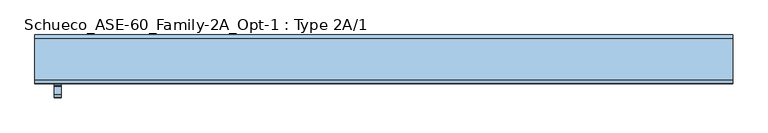
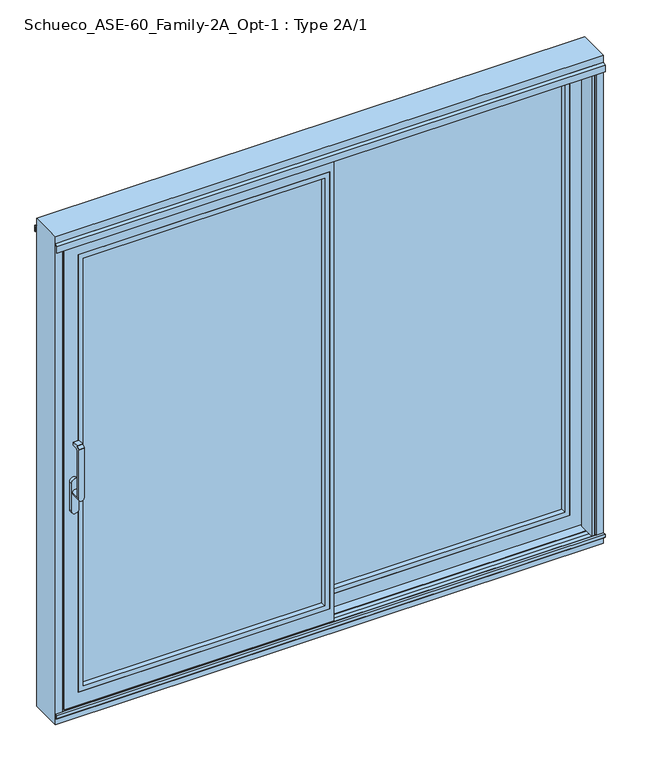
"""IFC4 building model written with IfcOpenShell, lengths in millimetres: window geometry, Schueco_ASE-60_Family-2A_Opt-1 : Type 2A/1."""

from ifc_helpers import new_model, si_unit, point, frame, frame_2d, origin, origin_with_axes, place, context, project, spatial, polyline, circle_curve, trimmed, segment, composite_curve, outline, extrude, faceted_brep, source, transform, mapped, element, save
from ifc_brep_helpers import plane_surface, cylinder_surface, revolved_surface, advanced_brep


def schueco_ase_60_family_2a_opt_1_type_2a_1_f2b57854(model_context):
    return source(origin(), model_context, "Body", "SolidModel", [
        extrude(outline(polyline([(0.0, 20.0000255), (0.0, 4.0000255), (-20.0, 4.0000255), (-20.0, 20.0000255), (0.0, 20.0000255)])), frame((0.0, 0.0, 4.0), z_axis=(0.0, 0.0, 1.0), x_axis=(1.0, 0.0, 0.0)), (0.0, 0.0, 1.0), 2127.0),
        faceted_brep([(-20.0, 20.0000255, 2131.0), (1150.0, 20.0000255, 2131.0), (1150.0, 25.5000255, 2131.0), (-2.0, 25.5000255, 2131.0), (-2.0, 68.9999911, 2131.0), (20.0, 68.9999911, 2131.0), (20.0, 74.5000332, 2131.0), (1150.0017184, 74.5000332, 2131.0), (1150.0017184, 80.0, 2131.0), (-20.0, 80.0, 2131.0), (1068.0, 80.0, 86.0), (20.0, 80.0, 86.0), (20.0, 68.9999911, 86.0), (1068.0, 68.9999911, 86.0), (-2.0, 68.9999911, 64.0), (-2.0, 20.0000255, 64.0), (1090.0, 20.0000255, 64.0), (1090.0, 68.9999911, 64.0), (1150.0017184, 80.0, 4.0), (1150.0017184, 74.5000332, 4.0), (20.0, 74.5000332, 4.0), (20.0, 68.9999911, 4.0), (-2.0, 68.9999911, 4.0), (-2.0, 25.5000255, 4.0), (1150.0, 25.5000255, 4.0), (1150.0, 20.0000255, 4.0), (-20.0, 20.0000255, 4.0), (-20.0, 80.0, 4.0), (1068.0, 68.9999911, 2049.0), (20.0, 68.9999911, 2049.0), (20.0, 80.0, 2049.0), (1068.0, 80.0, 2049.0), (1090.0, 20.0000255, 2071.0), (-2.0, 20.0000255, 2071.0), (-2.0, 68.9999911, 2071.0), (1090.0, 68.9999911, 2071.0), (1120.0, 25.5000255, 34.0), (-2.0, 25.5000255, 34.0), (-2.0, 68.9999911, 34.0), (20.0, 68.9999911, 34.0), (20.0, 74.5000332, 34.0), (1120.0, 74.5000332, 34.0), (1120.0, 25.5000255, 2101.0), (1120.0, 74.5000332, 2101.0), (20.0, 74.5000332, 2101.0), (20.0, 68.9999911, 2101.0), (-2.0, 68.9999911, 2101.0), (-2.0, 25.5000255, 2101.0)], [[[0, 1, 2, 3, 4, 5, 6, 7, 8, 9]], [[10, 11, 12, 13]], [[14, 15, 16, 17]], [[18, 19, 20, 21, 22, 23, 24, 25, 26, 27]], [[1, 25, 24, 2]], [[28, 29, 30, 31]], [[32, 33, 34, 35]], [[36, 37, 38, 39, 40, 41]], [[31, 10, 13, 28]], [[35, 17, 16, 32]], [[42, 36, 41, 43]], [[7, 19, 18, 8]], [[43, 44, 45, 46, 47, 42]], [[9, 27, 26, 0]], [[26, 25, 1, 0], [32, 16, 15, 33]], [[8, 18, 27, 9], [10, 31, 30, 11]], [[30, 29, 12, 11]], [[5, 45, 44, 6]], [[20, 40, 39, 21]], [[35, 34, 14, 17], [13, 12, 29, 28]], [[21, 39, 38, 22]], [[4, 46, 45, 5]], [[34, 33, 15, 14]], [[22, 38, 37, 23]], [[3, 47, 46, 4]], [[24, 23, 37, 36, 42, 47, 3, 2]], [[41, 40, 20, 19, 7, 6, 44, 43]]]),
        extrude(outline(polyline([(64.0, -2.0), (64.0, 1090.0), (2071.0, 1090.0), (2071.0, -2.0), (64.0, -2.0)]), holes=[polyline([(86.012649, 20.012649), (2048.987351, 20.012649), (2048.987351, 1067.987351), (86.012649, 1067.987351), (86.012649, 20.012649)])]), frame((0.0, 20.0000255, 0.0), z_axis=(0.0, 1.0, 0.0), x_axis=(0.0, 0.0, 1.0)), (0.0, 0.0, 1.0), 22.9999656),
        extrude(outline(polyline([(1090.0, 68.9999911), (1090.0, 42.9999911), (-2.0, 42.9999911), (-2.0, 68.9999911), (1090.0, 68.9999911)])), frame((0.0, 0.0, 64.0), z_axis=(0.0, 0.0, 1.0), x_axis=(1.0, 0.0, 0.0)), (0.0, 0.0, 1.0), 2007.0),
        advanced_brep(
        [(-1099.75, -109.9999695, 1214.6494011), (-1099.75, -109.9999695, 999.0), (-1123.75, -109.9999695, 999.005052), (-1123.75, -109.9999695, 1214.6494011), (-1123.75, -73.9999695, 999.005052), (-1099.75, -73.9999695, 999.005052), (-1099.75, -121.414183, 1225.6502145), (-1099.75, -110.6501229, 1236.4142746), (-1123.75, -110.6501229, 1236.4142746), (-1123.75, -121.414183, 1225.6502145), (-1123.75, -121.9999695, 999.005052), (-1099.75, -121.9999695, 999.005052), (-1099.75, -121.9999695, 1224.2360009), (-1123.75, -121.9999695, 1224.2360009), (-1099.75, -102.6493095, 1222.000061), (-1099.75, -81.9999695, 1222.000061), (-1099.75, -79.9999695, 1224.000061), (-1099.75, -79.9999695, 1235.000061), (-1099.75, -81.9999695, 1237.000061), (-1099.75, -109.2359094, 1237.000061), (-1123.75, -109.2359094, 1237.000061), (-1123.75, -81.9999695, 1237.000061), (-1123.75, -79.9999695, 1235.000061), (-1123.75, -79.9999695, 1224.000061), (-1123.75, -81.9999695, 1222.000061), (-1123.75, -102.6493095, 1222.000061)],
        [
            (0, 1),
            (1, 2, circle_curve(frame((-1111.75, -109.9999695, 999.005052), z_axis=(0.0, -1.0, 0.0), x_axis=(1.0, 0.0, 0.0)), 12.0)),
            (2, 3),
            (3, 0),
            (4, 5, circle_curve(frame((-1111.75, -73.9999695, 999.005052), z_axis=(0.0, 1.0, 0.0), x_axis=(1.0, 0.0, 0.0)), 12.0)),
            (5, 4, circle_curve(frame((-1111.75, -73.9999695, 999.005052), z_axis=(0.0, 1.0, 0.0), x_axis=(1.0, 0.0, 0.0)), 12.0)),
            (6, 7),
            (7, 8),
            (8, 9),
            (9, 6),
            (10, 11, circle_curve(frame((-1111.75, -121.9999695, 999.005052), z_axis=(0.0, -1.0, 0.0), x_axis=(1.0, 0.0, 0.0)), 12.0)),
            (11, 12),
            (12, 13),
            (13, 10),
            (10, 2),
            (2, 4),
            (5, 1),
            (1, 11),
            (0, 14, circle_curve(frame((-1099.75, -102.6493095, 1214.6494011), z_axis=(-1.0, 0.0, 0.0), x_axis=(0.0, 0.0, -1.0)), 7.35066)),
            (14, 15),
            (15, 16, circle_curve(frame((-1099.75, -81.9999695, 1224.000061), z_axis=(1.0, 0.0, 0.0), x_axis=(0.0, 0.0, -1.0)), 2.0)),
            (16, 17),
            (17, 18, circle_curve(frame((-1099.75, -81.9999695, 1235.000061), z_axis=(1.0, 0.0, 0.0), x_axis=(0.0, 0.0, -1.0)), 2.0)),
            (18, 19),
            (19, 7, circle_curve(frame((-1099.75, -109.2359094, 1235.000061), z_axis=(1.0, 0.0, 0.0), x_axis=(0.0, 0.0, -1.0)), 2.0)),
            (6, 12, circle_curve(frame((-1099.75, -119.9999695, 1224.2360009), z_axis=(1.0, 0.0, 0.0), x_axis=(0.0, 0.0, -1.0)), 2.0)),
            (13, 9, circle_curve(frame((-1123.75, -119.9999695, 1224.2360009), z_axis=(-1.0, 0.0, 0.0), x_axis=(0.0, 0.0, -1.0)), 2.0)),
            (8, 20, circle_curve(frame((-1123.75, -109.2359094, 1235.000061), z_axis=(-1.0, 0.0, 0.0), x_axis=(0.0, 0.0, -1.0)), 2.0)),
            (20, 21),
            (21, 22, circle_curve(frame((-1123.75, -81.9999695, 1235.000061), z_axis=(-1.0, 0.0, 0.0), x_axis=(0.0, 0.0, -1.0)), 2.0)),
            (22, 23),
            (23, 24, circle_curve(frame((-1123.75, -81.9999695, 1224.000061), z_axis=(-1.0, 0.0, 0.0), x_axis=(0.0, 0.0, -1.0)), 2.0)),
            (24, 25),
            (25, 3, circle_curve(frame((-1123.75, -102.6493095, 1214.6494011), z_axis=(1.0, 0.0, 0.0), x_axis=(0.0, 0.0, -1.0)), 7.35066)),
            (25, 14),
            (24, 15),
            (23, 16),
            (22, 17),
            (21, 18),
            (20, 19),
        ],
        [
            plane_surface(frame((-1099.75, -109.9999695, 999.0), z_axis=(0.0, 1.0, 0.0), x_axis=(-1.0, 0.0, 0.0))),
            plane_surface(frame((-1099.75, -73.9999695, 999.005052), z_axis=(0.0, 1.0, 0.0), x_axis=(0.0, 0.0, -1.0))),
            plane_surface(frame((-1099.75, -110.6501229, 1236.4142746), z_axis=(0.0, -0.7071067811865422, 0.7071067811865528), x_axis=(-1.0, 0.0, 0.0))),
            plane_surface(frame((-1099.75, -121.9999695, 999.005052), z_axis=(0.0, -1.0, 0.0), x_axis=(0.0, 0.0, 1.0))),
            cylinder_surface(frame((-1111.75, -73.9999695, 999.005052), z_axis=(0.0, -1.0, 0.0), x_axis=(1.0, 0.0, 0.0)), 12.0),
            plane_surface(frame((-1099.75, -121.9999695, 1004.7503433), z_axis=(1.0, 0.0, 0.0), x_axis=(0.0, 0.0, -1.0))),
            plane_surface(frame((-1123.75, -121.9999695, 1004.7503433), z_axis=(-1.0, 0.0, 0.0), x_axis=(0.0, 0.0, 1.0))),
            revolved_surface(polyline([(-1123.75, -102.6493095, 1207.2987411), (-1099.75, -102.6493095, 1207.2987411)]), (-1123.75, -102.6493095, 1214.6494011), (-1.0, 0.0, 0.0)),
            plane_surface(frame((-1099.75, -102.6493095, 1222.000061), z_axis=(0.0, 0.0, -1.0), x_axis=(-1.0, 0.0, 0.0))),
            cylinder_surface(frame((-1123.75, -81.9999695, 1224.000061), z_axis=(1.0, 0.0, 0.0), x_axis=(0.0, 0.0, -1.0)), 2.0),
            plane_surface(frame((-1099.75, -79.9999695, 1224.000061), z_axis=(0.0, 1.0, 0.0), x_axis=(-1.0, 0.0, 0.0))),
            cylinder_surface(frame((-1123.75, -81.9999695, 1235.000061), z_axis=(1.0, 0.0, 0.0), x_axis=(0.0, 0.0, -1.0)), 2.0),
            plane_surface(frame((-1099.75, -81.9999695, 1237.000061), z_axis=(0.0, 0.0, 1.0), x_axis=(-1.0, 0.0, 0.0))),
            cylinder_surface(frame((-1123.75, -109.2359094, 1235.000061), z_axis=(1.0, 0.0, 0.0), x_axis=(0.0, 0.0, -1.0)), 2.0),
            cylinder_surface(frame((-1123.75, -119.9999695, 1224.2360009), z_axis=(1.0, 0.0, 0.0), x_axis=(0.0, 0.0, -1.0)), 2.0),
        ],
        [
            (0, [[1, 2, 3, 4]]),
            (1, [[5, 6]]),
            (2, [[7, 8, 9, 10]]),
            (3, [[11, 12, 13, 14]]),
            (4, [[-11, 15, 16, -6, 17, 18]]),
            (4, [[-5, -16, -2, -17]]),
            (5, [[-12, -18, -1, 19, 20, 21, 22, 23, 24, 25, -7, 26]]),
            (6, [[27, -9, 28, 29, 30, 31, 32, 33, 34, -3, -15, -14]]),
            (7, [[-19, -4, -34, 35]]),
            (8, [[-20, -35, -33, 36]]),
            (9, [[-21, -36, -32, 37]]),
            (10, [[-22, -37, -31, 38]]),
            (11, [[-23, -38, -30, 39]]),
            (12, [[-24, -39, -29, 40]]),
            (13, [[-25, -40, -28, -8]]),
            (14, [[-26, -10, -27, -13]]),
        ],
    ),
        extrude(outline(composite_curve([segment(trimmed(circle_curve(frame_2d((917.2823932, -1111.75)), 16.75), [point((917.2823932, -1128.5))], [point((917.2823932, -1095.0))], False, "CARTESIAN"), True, "CONTINUOUS"), segment(polyline([(917.2823932, -1095.0), (1044.0099288, -1095.0)]), True, "CONTINUOUS"), segment(trimmed(circle_curve(frame_2d((1044.0099288, -1111.75)), 16.75), [point((1044.0099288, -1095.0))], [point((1044.0099288, -1128.5))], False, "CARTESIAN"), True, "CONTINUOUS"), segment(polyline([(1044.0099288, -1128.5), (917.2823932, -1128.5)]), True, "CONTINUOUS")], self_intersect=False)), frame((0.0, -73.9999695, 0.0), z_axis=(0.0, 1.0, 0.0), x_axis=(0.0, 0.0, 1.0)), (0.0, 0.0, 1.0), 13.9999695),
        extrude(outline(polyline([(0.0, -2.55e-05), (0.0, 15.9999745), (20.0, 15.9999745), (20.0, -2.55e-05), (0.0, -2.55e-05)])), frame((0.0, 0.0, 4.0), z_axis=(0.0, 0.0, 1.0), x_axis=(1.0, 0.0, 0.0)), (0.0, 0.0, 1.0), 2127.0),
        faceted_brep([(20.0, -60.0, 2131.0), (20.0, -2.55e-05, 2131.0), (-1150.0017184, -2.55e-05, 2131.0), (-1150.0017184, -5.4999923, 2131.0), (-20.0, -5.4999923, 2131.0), (-20.0, -11.0000344, 2131.0), (2.0, -11.0000344, 2131.0), (2.0, -54.5, 2131.0), (-1150.0, -54.5, 2131.0), (-1150.0, -60.0, 2131.0), (-1068.0, -2.55e-05, 86.0), (-1068.0, -11.0000344, 86.0), (-20.0, -11.0000344, 86.0), (-20.0, -2.55e-05, 86.0), (2.0, -11.0000344, 64.0), (-1090.0, -11.0000344, 64.0), (-1090.0, -60.0, 64.0), (2.0, -60.0, 64.0), (-1150.0017184, -2.55e-05, 4.0), (20.0, -2.55e-05, 4.0), (20.0, -60.0, 4.0), (-1150.0, -60.0, 4.0), (-1150.0, -54.5, 4.0), (2.0, -54.5, 4.0), (2.0, -11.0000344, 4.0), (-20.0, -11.0000344, 4.0), (-20.0, -5.4999923, 4.0), (-1150.0017184, -5.4999923, 4.0), (-1068.0, -11.0000344, 2049.0), (-1068.0, -2.55e-05, 2049.0), (-20.0, -2.55e-05, 2049.0), (-20.0, -11.0000344, 2049.0), (-1090.0, -60.0, 2071.0), (-1090.0, -11.0000344, 2071.0), (2.0, -11.0000344, 2071.0), (2.0, -60.0, 2071.0), (-1120.0, -54.5, 34.0), (-1120.0, -5.4999923, 34.0), (-20.0, -5.4999923, 34.0), (-20.0, -11.0000344, 34.0), (2.0, -11.0000344, 34.0), (2.0, -54.5, 34.0), (-1120.0, -54.5, 2101.0), (-1120.0, -5.4999923, 2101.0), (2.0, -54.5, 2101.0), (2.0, -11.0000344, 2101.0), (-20.0, -11.0000344, 2101.0), (-20.0, -5.4999923, 2101.0)], [[[0, 1, 2, 3, 4, 5, 6, 7, 8, 9]], [[10, 11, 12, 13]], [[14, 15, 16, 17]], [[18, 19, 20, 21, 22, 23, 24, 25, 26, 27]], [[9, 8, 22, 21]], [[28, 29, 30, 31]], [[32, 33, 34, 35]], [[36, 37, 38, 39, 40, 41]], [[29, 28, 11, 10]], [[33, 32, 16, 15]], [[42, 43, 37, 36]], [[3, 2, 18, 27]], [[43, 42, 44, 45, 46, 47]], [[1, 0, 20, 19]], [[20, 0, 9, 21], [32, 35, 17, 16]], [[2, 1, 19, 18], [10, 13, 30, 29]], [[5, 4, 47, 46]], [[26, 25, 39, 38]], [[30, 13, 12, 31]], [[6, 5, 46, 45]], [[25, 24, 40, 39]], [[33, 15, 14, 34], [11, 28, 31, 12]], [[7, 6, 45, 44]], [[24, 23, 41, 40]], [[34, 14, 17, 35]], [[22, 8, 7, 44, 42, 36, 41, 23]], [[37, 43, 47, 4, 3, 27, 26, 38]]]),
        extrude(outline(polyline([(64.0, 2.0), (2071.0, 2.0), (2071.0, -1090.0), (64.0, -1090.0), (64.0, 2.0)]), holes=[polyline([(86.012649, -20.012649), (86.012649, -1067.987351), (2048.987351, -1067.987351), (2048.987351, -20.012649), (86.012649, -20.012649)])]), frame((0.0, -60.0, 0.0), z_axis=(0.0, 1.0, 0.0), x_axis=(0.0, 0.0, 1.0)), (0.0, 0.0, 1.0), 22.9999656),
        extrude(outline(polyline([(-1090.0, -11.0000344), (2.0, -11.0000344), (2.0, -37.0000344), (-1090.0, -37.0000344), (-1090.0, -11.0000344)])), frame((0.0, 0.0, 64.0), z_axis=(0.0, 0.0, 1.0), x_axis=(1.0, 0.0, 0.0)), (0.0, 0.0, 1.0), 2007.0),
        extrude(outline(polyline([(-1139.0, 5.0), (-1158.0007202, 5.0), (-1158.0007202, 9.0), (-1142.0, 9.0), (-1142.0, 68.2882381), (-1150.0, 71.2), (-1150.0, 80.0), (-1139.0, 80.0), (-1139.0, 5.0)])), origin_with_axes(), (0.0, 0.0, 1.0), 2157.5),
        extrude(outline(polyline([(1139.0, 15.0), (1158.0007202, 15.0), (1158.0007202, 11.0), (1142.0, 11.0), (1142.0, -48.2882381), (1150.0, -51.2), (1150.0, -60.0), (1139.0, -60.0), (1139.0, 15.0)])), origin_with_axes(), (0.0, 0.0, 1.0), 2157.5),
        faceted_brep([(1190.0, 80.0, -51.0), (1190.0, -60.0, -51.0), (-1190.0, -60.0, -51.0), (-1190.0, 80.0, -51.0), (1190.0, 80.0, 2190.0), (1190.0, -60.0, 2190.0), (-1190.0, -60.0, 2190.0), (-1158.0, -60.0, -19.0), (-1158.0, -60.0, 2157.5), (1158.0, -60.0, 2157.5), (1158.0, -60.0, -19.0), (-1190.0, 80.0, 2190.0), (-1158.0, -51.2000255, -19.0), (-1158.0, -51.2000255, 2157.5), (1158.0, -51.2000255, 2157.5), (1158.0, -51.2000255, -19.0), (1142.0, -11.7120495, -3.0), (1142.0, -48.2882636, -3.0), (1142.0, -48.2882636, 2122.0), (1142.0, -11.7120495, 2122.0), (1142.0, -11.7120495, 2155.2007202), (1142.0, -11.7120495, 2130.9120495), (1142.0, -15.8, 2135.0), (1142.0, -15.8, 2155.2007202), (1142.0, -48.2882636, 2130.9117364), (1142.0, -48.2882636, 2142.0), (1142.0, -44.2, 2142.0), (1142.0, -44.2, 2135.0), (-1142.0, -11.7120245, -3.0), (-1142.0, -48.2882386, -3.0), (1150.0, -51.2000255, -11.00007), (1150.0, -51.2000255, 2150.0), (1146.7029571, -50.0, 2129.2), (1146.7029571, -50.0, 2122.0), (1150.0007202, -8.8000255, -11.0006502), (1146.7038173, -10.0, 2122.0), (1146.7038173, -10.0, 2129.2), (1150.0007202, -8.8000255, 2155.2007202), (-1150.0, -51.2000255, -11.00007), (-1150.0, -51.2000255, 2150.0), (-1141.9999998, -48.2882635, 2122.0), (-1146.7029571, -50.0, 2122.0), (-1146.7029571, -50.0, 2129.2), (-1141.9999996, -48.2882635, 2130.9117365), (-1141.9999998, -48.2882635, 2142.0), (-1150.0007202, -8.8000255, -11.0006502), (1158.0007202, -8.8000255, 2155.2007202), (1158.0007202, -8.8000255, -19.0007202), (-1158.0007202, -8.8000255, -19.0007202), (-1158.0007202, -8.8000255, 2155.2007202), (-1150.0007202, -8.8000255, 2155.2007202), (1158.0007202, 28.7999745, -19.0007202), (1158.0007202, 28.7999745, 2155.2007202), (-1158.0007202, 28.7999745, -19.0007202), (-1158.0007202, 28.7999745, 2155.2007202), (-1142.0000001, -11.7120494, 2155.2007202), (-1142.0000002, -11.7120494, 2130.9120494), (-1146.7038173, -10.0, 2129.2), (-1146.7038173, -10.0, 2122.0), (-1142.0000003, -11.7120494, 2122.0), (1150.0007202, 28.7999745, -11.0007902), (-1150.0007202, 28.7999745, -11.0007902), (-1150.0007202, 28.7999745, 2155.2007202), (1150.0007202, 28.7999745, 2155.2007202), (1141.9999672, 31.7120105, -3.0000372), (-1141.9999314, 31.7120239, -3.0000002), (-1141.9999979, 31.7119993, 2122.0), (-1146.7036773, 30.0, 2122.0), (-1146.7036773, 30.0, 2129.2), (-1141.9999982, 31.7119992, 2130.9119992), (-1141.9999989, 31.7119989, 2155.2007202), (1142.0, 31.7119985, 2155.2007202), (1142.0, 31.7119985, 2130.9119985), (1146.7036773, 30.0, 2129.2), (1146.7036773, 30.0, 2122.0), (1142.0, 31.7119985, 2122.0), (1142.0, 35.8, 2155.2007202), (1142.0, 35.8, 2135.0), (1142.0, 68.2882381, -3.0), (1142.0, 68.2882381, 2122.0), (1142.0, 68.2882381, 2142.0), (1142.0, 68.2882381, 2130.9117619), (1142.0, 64.2, 2135.0), (1142.0, 64.2, 2142.0), (-1142.0, 68.2882381, -3.0), (1150.0, 71.2, -11.0), (1146.7030271, 70.0, 2122.0), (1146.7030271, 70.0, 2129.2), (1150.0, 71.2, 2150.0), (-1150.0, 71.2, -11.0), (1158.0, 71.2, -19.0), (-1158.0, 71.2, -19.0), (-1158.0, 71.2, 2157.5), (1158.0, 71.2, 2157.5), (-1150.0, 71.2, 2150.0), (-1142.0, 68.2882381, 2142.0), (-1142.0, 68.2882381, 2130.9117619), (-1146.7030271, 70.0, 2129.2), (-1146.7030271, 70.0, 2122.0), (-1142.0, 68.2882381, 2122.0), (1158.0, 80.0, -19.0), (-1158.0, 80.0, -19.0), (-1158.0, 80.0, 2157.5), (1158.0, 80.0, 2157.5), (-1142.0, 64.2, 2142.0), (-1142.0, 64.2, 2135.0), (-1142.0, 35.8, 2135.0), (-1142.0, 35.8, 2155.2007202), (-1142.0, -15.8, 2155.2007202), (-1142.0, -15.8, 2135.0), (-1142.0, -44.2, 2135.0), (-1142.0, -44.2, 2142.0)], [[[0, 1, 2, 3]], [[0, 4, 5, 1]], [[5, 6, 2, 1], [7, 8, 9, 10]], [[11, 3, 2, 6]], [[7, 12, 13, 8]], [[14, 15, 10, 9]], [[10, 15, 12, 7]], [[16, 17, 18, 19]], [[20, 21, 22, 23]], [[24, 25, 26, 27]], [[17, 16, 28, 29]], [[17, 30, 31, 25, 24, 32, 33, 18]], [[34, 16, 19, 35, 36, 21, 20, 37]], [[12, 15, 14, 13], [30, 38, 39, 31]], [[30, 17, 29, 38]], [[38, 29, 40, 41, 42, 43, 44, 39]], [[16, 34, 45, 28]], [[45, 34, 37, 46, 47, 48, 49, 50]], [[51, 47, 46, 52]], [[47, 51, 53, 48]], [[48, 53, 54, 49]], [[28, 45, 50, 55, 56, 57, 58, 59]], [[60, 61, 62, 54, 53, 51, 52, 63]], [[60, 64, 65, 61]], [[61, 65, 66, 67, 68, 69, 70, 62]], [[64, 60, 63, 71, 72, 73, 74, 75]], [[72, 71, 76, 77]], [[78, 64, 75, 79]], [[80, 81, 82, 83]], [[64, 78, 84, 65]], [[85, 78, 79, 86, 87, 81, 80, 88]], [[78, 85, 89, 84]], [[90, 91, 92, 93], [89, 85, 88, 94]], [[84, 89, 94, 95, 96, 97, 98, 99]], [[90, 100, 101, 91]], [[92, 91, 101, 102]], [[100, 90, 93, 103]], [[65, 84, 99, 66]], [[96, 95, 104, 105]], [[70, 69, 106, 107]], [[29, 28, 59, 40]], [[56, 55, 108, 109]], [[44, 43, 110, 111]], [[5, 4, 11, 6]], [[9, 8, 13, 14]], [[58, 35, 19, 18, 33, 41, 40, 59]], [[109, 22, 21, 36, 57, 56]], [[108, 23, 22, 109]], [[107, 76, 71, 63, 52, 46, 37, 20, 23, 108, 55, 50, 49, 54, 62, 70]], [[25, 44, 111, 26]], [[110, 27, 26, 111]], [[42, 32, 24, 27, 110, 43]], [[44, 25, 31, 39]], [[41, 33, 32, 42]], [[57, 36, 35, 58]], [[68, 73, 72, 77, 106, 69]], [[67, 74, 73, 68]], [[98, 86, 79, 75, 74, 67, 66, 99]], [[106, 77, 76, 107]], [[105, 82, 81, 87, 97, 96]], [[104, 83, 82, 105]], [[95, 80, 83, 104]], [[97, 87, 86, 98]], [[94, 88, 80, 95]], [[93, 92, 102, 103]], [[11, 4, 0, 3], [100, 103, 102, 101]]]),
        extrude(outline(polyline([(-73.0, -2.0), (-60.0, -2.0), (-60.0, -21.8), (-66.4, -21.8), (-73.0, -15.2), (-73.0, -2.0)])), frame((-1190.0, 0.0, 0.0), z_axis=(1.0, 0.0, 0.0), x_axis=(0.0, 1.0, 0.0)), (0.0, 0.0, 1.0), 2380.0),
        extrude(outline(polyline([(-51.2000255, 2150.5), (-68.5243789, 2150.5), (-71.0000233, 2149.0706861), (-71.0000233, 2121.5), (-72.6000233, 2121.5), (-72.6000233, 2150.225198), (-59.9996967, 2157.5), (-51.2000255, 2157.5), (-51.2000255, 2150.5)])), frame((-1190.0, 0.0, 0.0), z_axis=(1.0, 0.0, 0.0), x_axis=(0.0, 1.0, 0.0)), (0.0, 0.0, 1.0), 2380.0),
        extrude(outline(polyline([(71.2000255, 2150.5), (71.2000255, 2157.5), (79.9996967, 2157.5), (92.6000233, 2150.225198), (92.6000233, 2121.5), (91.0000233, 2121.5), (91.0000233, 2149.0706861), (88.5243789, 2150.5), (71.2000255, 2150.5)])), frame((-1190.0, 0.0, 0.0), z_axis=(1.0, 0.0, 0.0), x_axis=(0.0, 1.0, 0.0)), (0.0, 0.0, 1.0), 2380.0),
        extrude(outline(polyline([(28.7999745, -11.0007902), (28.7999745, -19.0007202), (-8.8000255, -19.0007202), (-8.8000255, -11.0006502), (-11.7120375, -2.9999628), (-18.0, -2.9999628), (-18.0, 0.0), (38.0002751, 0.0), (38.0002751, -3.0), (31.712024, -3.0), (28.7999745, -11.0007902)])), frame((-1158.0007202, 0.0, 0.0), z_axis=(1.0, 0.0, 0.0), x_axis=(0.0, 1.0, 0.0)), (0.0, 0.0, 1.0), 2316.0014404),
        extrude(outline(polyline([(80.0, -11.0), (71.2, -11.0), (68.2882381, -3.0), (62.0002751, -3.0), (62.0002751, 0.0), (80.0, 0.0), (80.0, -11.0)])), frame((-1158.0007202, 0.0, 0.0), z_axis=(1.0, 0.0, 0.0), x_axis=(0.0, 1.0, 0.0)), (0.0, 0.0, 1.0), 2316.0014404),
        extrude(outline(polyline([(-48.2882246, -2.9999628), (-51.2000255, -11.00007), (-51.2000255, -19.0007202), (-60.0, -19.0007202), (-60.0, 0.0), (-42.0, 0.0), (-42.0, -2.9999628), (-48.2882246, -2.9999628)])), frame((-1158.0007202, 0.0, 0.0), z_axis=(1.0, 0.0, 0.0), x_axis=(0.0, 1.0, 0.0)), (0.0, 0.0, 1.0), 2316.0014404),
    ])


if __name__ == "__main__":
    model = new_model("IFC4")
    model_context = context("Model", 3, world=origin())
    ifc_project = project(units=[si_unit("LENGTHUNIT", "METRE", prefix="MILLI")], contexts=[model_context])
    site = spatial("IfcSite", under=ifc_project)
    building = spatial("IfcBuilding", under=site)
    placement = place(None, origin())
    schueco_ase_60_family_2a_opt_1_type_2a_1_shape = schueco_ase_60_family_2a_opt_1_type_2a_1_f2b57854(model_context)
    element("IfcWindow", 1, ObjectType="Schueco_ASE-60_Family-2A_Opt-1 : Type 2A/1", at=placement, inside=building, context=model_context, shape_type="MappedRepresentation", body=[
        mapped(schueco_ase_60_family_2a_opt_1_type_2a_1_shape, transform((0.0, 0.0, 0.0), x_axis=(1.0, 0.0, 0.0), y_axis=(0.0, 1.0, 0.0), z_axis=(0.0, 0.0, 1.0))),
    ])
    save(model, "model.ifc")
